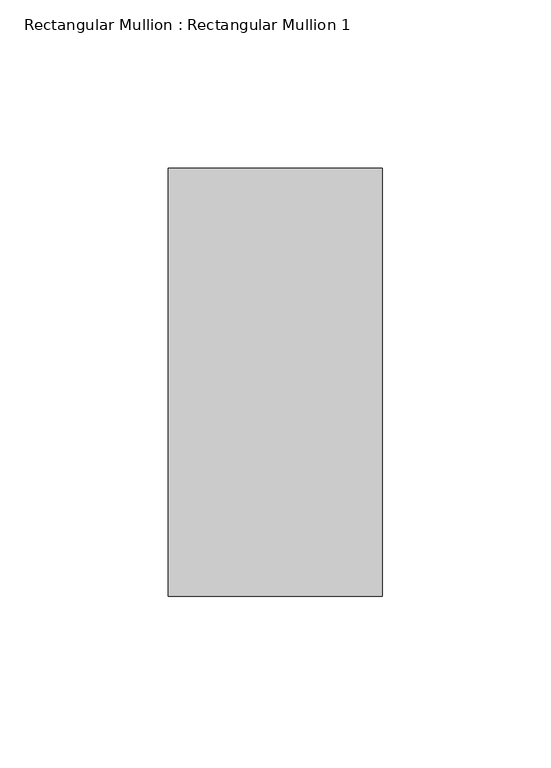
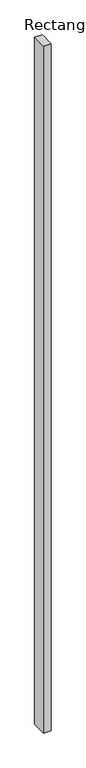
"""IFC4 building model written with IfcOpenShell, lengths in millimetres: member geometry, Rectangular Mullion : Rectangular Mullion 1."""

from ifc_helpers import new_model, si_unit, frame, origin, place, context, project, spatial, polyline, outline, extrude, source, transform, mapped, element, save


def rectangular_mullion_rectangular_mullion_1_3f26a5c1(model_context):
    return source(origin(), model_context, "Body", "SweptSolid", [
        extrude(outline(polyline([(0.0, 63.5), (0.0, -63.5), (-63.5, -63.5), (-63.5, 63.5), (0.0, 63.5)])), frame((0.0, 0.0, -6032.5), z_axis=(0.0, 0.0, 1.0), x_axis=(1.0, 0.0, 0.0)), (0.0, 0.0, 1.0), 6032.5),
    ])


if __name__ == "__main__":
    model = new_model("IFC4")
    model_context = context("Model", 3, world=origin())
    ifc_project = project(units=[si_unit("LENGTHUNIT", "METRE", prefix="MILLI")], contexts=[model_context])
    site = spatial("IfcSite", under=ifc_project)
    building = spatial("IfcBuilding", under=site)
    placement = place(None, origin())
    rectangular_mullion_rectangular_mullion_1_shape = rectangular_mullion_rectangular_mullion_1_3f26a5c1(model_context)
    element("IfcMember", 1, ObjectType="Rectangular Mullion : Rectangular Mullion 1", at=placement, inside=building, context=model_context, shape_type="MappedRepresentation", body=[
        mapped(rectangular_mullion_rectangular_mullion_1_shape, transform((0.0, 0.0, 0.0), x_axis=(1.0, 0.0, 0.0), y_axis=(0.0, 1.0, 0.0), z_axis=(0.0, 0.0, 1.0))),
    ])
    save(model, "model.ifc")
